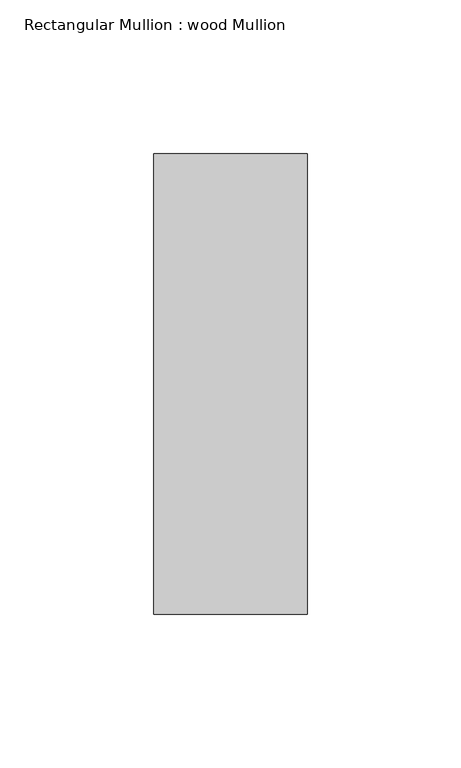
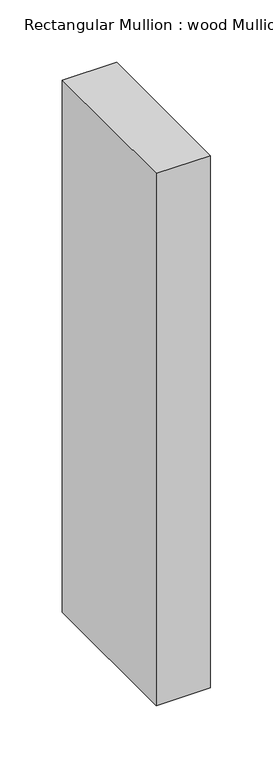
"""IFC4 building model written with IfcOpenShell, lengths in millimetres: member geometry, Rectangular Mullion : wood Mullion."""

from ifc_helpers import new_model, si_unit, frame, origin, place, context, project, spatial, polyline, outline, extrude, source, transform, mapped, element, save


def rectangular_mullion_wood_mullion_5748e45f(model_context):
    return source(origin(), model_context, "Body", "SweptSolid", [
        extrude(outline(polyline([(25.0, 75.0), (25.0, -75.0), (-25.0, -75.0), (-25.0, 75.0), (25.0, 75.0)])), frame((0.0, 0.0, -520.0), z_axis=(0.0, 0.0, 1.0), x_axis=(1.0, 0.0, 0.0)), (0.0, 0.0, 1.0), 520.0),
    ])


if __name__ == "__main__":
    model = new_model("IFC4")
    model_context = context("Model", 3, world=origin())
    ifc_project = project(units=[si_unit("LENGTHUNIT", "METRE", prefix="MILLI")], contexts=[model_context])
    site = spatial("IfcSite", under=ifc_project)
    building = spatial("IfcBuilding", under=site)
    placement = place(None, origin())
    rectangular_mullion_wood_mullion_shape = rectangular_mullion_wood_mullion_5748e45f(model_context)
    element("IfcMember", 1, ObjectType="Rectangular Mullion : wood Mullion", at=placement, inside=building, context=model_context, shape_type="MappedRepresentation", body=[
        mapped(rectangular_mullion_wood_mullion_shape, transform((0.0, 0.0, 0.0), x_axis=(1.0, 0.0, 0.0), y_axis=(0.0, 1.0, 0.0), z_axis=(0.0, 0.0, 1.0))),
    ])
    save(model, "model.ifc")
